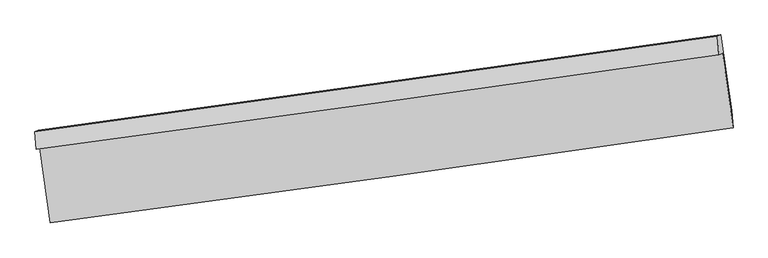
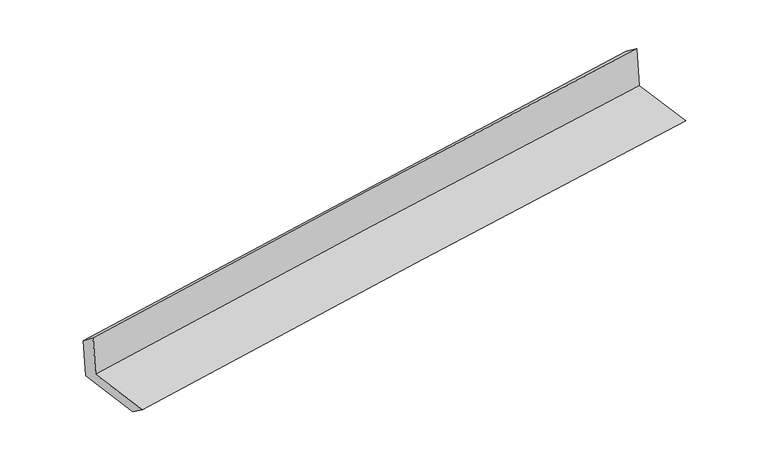
"""IFC4 building model written with IfcOpenShell, lengths in millimetres: proxy geometry."""

from ifc_helpers import new_model, si_unit, frame, origin, place, context, project, spatial, source, transform, mapped, element, save
from ifc_brep_helpers import plane_surface, spline_curve, spline_surface, advanced_brep


def generic_models_87948654(model_context):
    return source(origin(), model_context, "Body", "AdvancedBrep", [
        advanced_brep(
        [(-2993.2565551, -1914.9498316, 1637.5044987), (-2900.8771044, -2568.2660362, 1624.4579931), (3037.0669144, -1742.5562509, 2115.3357502), (2945.4787168, -1094.1770681, 2128.2908112), (-3024.636031, -1927.5556136, 2046.5598453), (2914.1020829, -1106.7817084, 2537.3091095), (-3035.9671781, -1777.0179886, 1926.6947392), (2901.3865944, -946.3440848, 2417.7295885), (-3005.8835262, -1764.9327659, 1534.5314456), (2931.7595589, -934.1426392, 2021.7948847), (-2912.4554875, -2425.6646845, 1521.3368507), (3025.094506, -1594.8875637, 2008.5927476)],
        [
            (0, 1),
            (1, 2, spline_curve(3, [(-2900.8771044, -2568.2660362, 1624.4579931), (-1908.547663535, -2437.744860574, 1722.073395594), (-916.239309138, -2303.482345221, 1811.875578203), (1063.075140595, -2028.206189545, 1975.418881326), (2050.081459225, -1887.23211, 2049.242618071), (3037.0669144, -1742.5562509, 2115.3357502)], [4, 2, 4], [0.0, 9.894012067444873, 19.735576268697606])),
            (2, 3),
            (3, 0, spline_curve(3, [(2945.4787168, -1094.1770681, 2128.2908112), (1957.783237383, -1236.43071617, 2062.217856574), (970.355375636, -1375.781237306, 1988.411815208), (-1009.225908298, -1649.403183951, 1824.899019997), (-2001.376470252, -1783.643583926, 1735.109623624), (-2993.2565551, -1914.9498316, 1637.5044987)], [4, 2, 4], [0.0, 9.841564201252734, 19.735576268697606])),
            (4, 0),
            (3, 5),
            (5, 4, spline_curve(3, [(2914.1020829, -1106.7817084, 2537.3091095), (1926.405183839, -1249.035926867, 2471.254662471), (938.976374646, -1388.386828719, 2397.460970798), (-1040.60586184, -1662.009157554, 2233.960590601), (-2032.756423904, -1796.249557695, 2144.17119433), (-3024.636031, -1927.5556136, 2046.5598453)], [4, 2, 4], [0.0, 9.84163357629106, 19.73571538848914])),
            (6, 4),
            (5, 7),
            (7, 6, spline_curve(3, [(2901.3865944, -946.3440848, 2417.7295885), (1914.409214666, -1086.556830288, 2338.176692731), (927.455870659, -1225.704903712, 2257.592167745), (-1051.662310613, -1502.607583188, 2093.92490957), (-2043.826890643, -1640.350810975, 2010.831151252), (-3035.9671781, -1777.0179886, 1926.6947392)], [4, 2, 4], [0.0, 9.841420520476328, 19.73528814143825])),
            (8, 6),
            (7, 9),
            (9, 8, spline_curve(3, [(2931.7595589, -934.1426392, 2021.7948847), (1944.62013536, -1074.420481102, 1944.354352422), (957.561572596, -1213.610822812, 1865.14143212), (-1021.653653048, -1490.552487292, 1702.73922691), (-2013.809451982, -1628.2921876, 1619.531000865), (-3005.8835262, -1764.9327659, 1534.5314456)], [4, 2, 4], [0.0, 9.841333181178989, 19.735112997393195])),
            (10, 8),
            (9, 11),
            (11, 10, spline_curve(3, [(3025.094506, -1594.8875637, 2008.5927476), (2037.852157723, -1731.823518507, 1931.247305947), (1050.749712248, -1869.337398372, 1852.082682551), (-928.435114313, -2146.25692891, 1689.68349169), (-1920.515999916, -2285.668756194, 1606.429482776), (-2912.4554875, -2425.6646845, 1521.3368507)], [4, 2, 4], [0.0, 9.841253284522436, 19.734952778293184])),
            (1, 10),
            (11, 2),
        ],
        [
            spline_surface(3, 3, [[(-2993.2565551, -1914.9498316, 1637.5044987), (-2001.376470379, -1783.64358387, 1735.109623676), (-1009.225908305, -1649.403183839, 1824.899019997), (970.355375642, -1375.781237417, 1988.411815209), (1957.783237542, -1236.430716274, 2062.217856423), (2945.4787168, -1094.1770681, 2128.2908112)], [(-2962.463404867, -2132.721899791, 1633.155663488), (-1970.433534775, -2001.67734272, 1730.764214335), (-978.230375275, -1867.429570926, 1820.557872687), (1001.261964008, -1593.256221505, 1984.080837254), (1988.549311468, -1453.364514148, 2057.892776951), (2976.008115992, -1310.303462362, 2123.972457529)], [(-2931.670254633, -2350.493968009, 1628.806828312), (-1939.490599172, -2219.711101596, 1726.418805031), (-947.234842279, -2085.455958006, 1816.216725436), (1032.16855234, -1810.731205585, 1979.749859358), (2019.315385419, -1670.298312035, 2053.567697493), (3006.537515208, -1526.429856638, 2119.654103871)], [(-2900.8771044, -2568.2660362, 1624.4579931), (-1908.547663568, -2437.744860446, 1722.07339569), (-916.239309249, -2303.482345093, 1811.875578126), (1063.075140706, -2028.206189672, 1975.418881403), (2050.081459345, -1887.232109909, 2049.242618021), (3037.0669144, -1742.5562509, 2115.3357502)]], [4, 4], [4, 2, 4], [0.0, 2.1651928427980316], [0.0, 9.894012067444873, 19.735576268697606]),
            spline_surface(3, 3, [[(-3024.636031, -1927.5556136, 2046.5598453), (-2032.756423745, -1796.249557678, 2144.171194402), (-1040.60586177, -1662.009157647, 2233.960590723), (938.976374576, -1388.386828627, 2397.460970677), (1926.405183874, -1249.035926924, 2471.254662481), (2914.1020829, -1106.7817084, 2537.3091095)], [(-3014.176205671, -1923.353686273, 1910.208063102), (-2022.296439261, -1792.047566415, 2007.817337495), (-1030.145877286, -1657.807166384, 2097.606733816), (949.436041594, -1384.184964896, 2261.111252189), (1936.864535107, -1244.83419005, 2334.909060475), (2924.560960877, -1102.580161643, 2400.969676747)], [(-3003.716380429, -1919.151758927, 1773.856280898), (-2011.836454863, -1787.845575134, 1871.463480583), (-1019.685892789, -1653.605175102, 1961.252876904), (959.895708625, -1379.983101148, 2124.761533696), (1947.323886309, -1240.632453147, 2198.563458429), (2935.019838823, -1098.378614857, 2264.630243953)], [(-2993.2565551, -1914.9498316, 1637.5044987), (-2001.376470379, -1783.64358387, 1735.109623676), (-1009.225908305, -1649.403183839, 1824.899019997), (970.355375642, -1375.781237417, 1988.411815209), (1957.783237542, -1236.430716274, 2062.217856423), (2945.4787168, -1094.1770681, 2128.2908112)]], [4, 4], [4, 2, 4], [0.0, 1.3466235005305727], [0.0, 9.894081812198081, 19.73571538848914]),
            spline_surface(3, 3, [[(-3035.9671781, -1777.0179886, 1926.6947392), (-2043.826890517, -1640.350810931, 2010.831151279), (-1051.662310499, -1502.607583082, 2093.924909535), (927.455870545, -1225.704903817, 2257.59216778), (1914.409214668, -1086.556830428, 2338.176692622), (2901.3865944, -946.3440848, 2417.7295885)], [(-3032.19012907, -1827.197196931, 1966.649774581), (-2040.13673493, -1692.317059844, 2055.277832334), (-1047.976827587, -1555.741441275, 2140.603469947), (931.296038557, -1279.932212092, 2304.215102095), (1918.407871068, -1140.716529272, 2382.536015893), (2905.625090565, -999.823292678, 2457.589428818)], [(-3028.41308003, -1877.376405269, 2006.604809919), (-2036.446579332, -1744.283308765, 2099.724513346), (-1044.291344681, -1608.875299454, 2187.282030311), (935.136206564, -1334.159520352, 2350.838036362), (1922.406527474, -1194.87622808, 2426.89533921), (2909.863586735, -1053.302500522, 2497.449269182)], [(-3024.636031, -1927.5556136, 2046.5598453), (-2032.756423745, -1796.249557678, 2144.171194402), (-1040.60586177, -1662.009157647, 2233.960590723), (938.976374576, -1388.386828627, 2397.460970677), (1926.405183874, -1249.035926924, 2471.254662481), (2914.1020829, -1106.7817084, 2537.3091095)]], [4, 4], [4, 2, 4], [0.0, 0.7009469786707679], [0.0, 9.893867620961922, 19.73528814143825]),
            spline_surface(3, 3, [[(-3005.8835262, -1764.9327659, 1534.5314456), (-2013.809452104, -1628.292187553, 1619.531000862), (-1021.653653161, -1490.552487136, 1702.73922696), (957.561572708, -1213.610822966, 1865.141432071), (1944.620135419, -1074.420481141, 1944.354352392), (2931.7595589, -934.1426392, 2021.7948847)], [(-3015.911410166, -1768.961173483, 1665.252543456), (-2023.815264907, -1632.311728695, 1749.964384323), (-1031.656538943, -1494.570852434, 1833.134454478), (947.526338651, -1217.642183233, 1995.958343967), (1934.549828493, -1078.465930901, 2075.628465818), (2921.635237391, -938.209787731, 2153.773119316)], [(-3025.939294134, -1772.989581017, 1795.973641344), (-2033.821077713, -1636.331269789, 1880.397767818), (-1041.659424716, -1498.589217784, 1963.529682017), (937.491104603, -1221.673543551, 2126.775255884), (1924.479521595, -1082.511380668, 2206.902579196), (2911.510915909, -942.276936269, 2285.751353884)], [(-3035.9671781, -1777.0179886, 1926.6947392), (-2043.826890517, -1640.350810931, 2010.831151279), (-1051.662310499, -1502.607583082, 2093.924909535), (927.455870545, -1225.704903817, 2257.59216778), (1914.409214668, -1086.556830428, 2338.176692622), (2901.3865944, -946.3440848, 2417.7295885)]], [4, 4], [4, 2, 4], [0.0, 1.2898671123048053], [0.0, 9.893779816214206, 19.735112997393195]),
            spline_surface(3, 3, [[(-2912.4554875, -2425.6646845, 1521.3368507), (-1920.515999874, -2285.668756306, 1606.429482745), (-928.435114164, -2146.256929009, 1689.683491614), (1050.7497121, -1869.337398273, 1852.082682627), (2037.852157602, -1731.823518623, 1931.247306016), (3025.094506, -1594.8875637, 2008.5927476)], [(-2943.598167095, -2205.420711636, 1525.73504902), (-1951.613817312, -2066.543233391, 1610.796655471), (-959.507960491, -1927.688781714, 1694.035403385), (1019.686998974, -1650.761873167, 1856.435599097), (2006.774816892, -1512.689172796, 1935.616321448), (2993.982856984, -1374.639255533, 2012.99345994)], [(-2974.740846605, -1985.176738764, 1530.13324728), (-1982.711634666, -1847.417710468, 1615.163828136), (-990.580806834, -1709.120634432, 1698.387315189), (988.624285833, -1432.186348073, 1860.7885156), (1975.697476129, -1293.554826968, 1939.98533696), (2962.871207916, -1154.390947367, 2017.39417236)], [(-3005.8835262, -1764.9327659, 1534.5314456), (-2013.809452104, -1628.292187553, 1619.531000862), (-1021.653653161, -1490.552487136, 1702.73922696), (957.561572708, -1213.610822966, 1865.141432071), (1944.620135419, -1074.420481141, 1944.354352392), (2931.7595589, -934.1426392, 2021.7948847)]], [4, 4], [4, 2, 4], [0.0, 2.17334326872594], [0.0, 9.893699493770749, 19.734952778293184]),
            spline_surface(3, 3, [[(-2900.8771044, -2568.2660362, 1624.4579931), (-1908.547663568, -2437.744860446, 1722.07339569), (-916.239309249, -2303.482345093, 1811.875578126), (1063.075140706, -2028.206189672, 1975.418881403), (2050.081459345, -1887.232109909, 2049.242618021), (3037.0669144, -1742.5562509, 2115.3357502)], [(-2904.736565431, -2520.732252287, 1590.084278954), (-1912.537109001, -2387.05282572, 1683.525424695), (-920.304577565, -2251.073873073, 1771.144882643), (1058.966664493, -1975.249925881, 1934.306815165), (2046.005025422, -1835.429246133, 2009.91084737), (3033.076111591, -1693.333355152, 2079.754749351)], [(-2908.596026469, -2473.198468413, 1555.710564846), (-1916.526554441, -2336.360791033, 1644.97745374), (-924.369845849, -2198.665401029, 1730.414187098), (1054.858188312, -1922.293662065, 1893.194748865), (2041.928591526, -1783.6263824, 1970.579076667), (3029.085308809, -1644.110459448, 2044.173748449)], [(-2912.4554875, -2425.6646845, 1521.3368507), (-1920.515999874, -2285.668756306, 1606.429482745), (-928.435114164, -2146.256929009, 1689.683491614), (1050.7497121, -1869.337398273, 1852.082682627), (2037.852157602, -1731.823518623, 1931.247306016), (3025.094506, -1594.8875637, 2008.5927476)]], [4, 4], [4, 2, 4], [0.0, 0.6577903923242927], [0.0, 9.893717577918649, 19.73498885072545]),
            plane_surface(frame((2959.1480622, -1236.4815525, 2204.8421486), z_axis=(0.9872181288821819, 0.13785357245010985, 0.07997973849110893), x_axis=(-0.07645124942889737, -0.03071204193967396, 0.9966002091815235))),
            plane_surface(frame((-2978.8459804, -2063.0644867, 1715.1808954), z_axis=(-0.9871983616839877, -0.13799343900217362, -0.0799825323480333), x_axis=(-0.13998071706315832, 0.9899568582884136, 0.019769106662111707))),
        ],
        [
            (0, [[1, 2, 3, 4]]),
            (1, [[5, -4, 6, 7]]),
            (2, [[8, -7, 9, 10]]),
            (3, [[11, -10, 12, 13]]),
            (4, [[14, -13, 15, 16]]),
            (5, [[17, -16, 18, -2]]),
            (6, [[-12, -9, -6, -3, -18, -15]]),
            (7, [[-1, -5, -8, -11, -14, -17]]),
        ],
    ),
    ])


if __name__ == "__main__":
    model = new_model("IFC4")
    model_context = context("Model", 3, world=origin())
    ifc_project = project(units=[si_unit("LENGTHUNIT", "METRE", prefix="MILLI")], contexts=[model_context])
    site = spatial("IfcSite", under=ifc_project)
    building = spatial("IfcBuilding", under=site)
    placement = place(None, origin())
    generic_models_shape = generic_models_87948654(model_context)
    element("IfcBuildingElementProxy", 1, Name="Generic Models", at=placement, inside=building, context=model_context, shape_type="MappedRepresentation", body=[
        mapped(generic_models_shape, transform((0.0, 0.0, 0.0), x_axis=(1.0, 0.0, 0.0), y_axis=(0.0, 1.0, 0.0), z_axis=(0.0, 0.0, 1.0))),
    ])
    save(model, "model.ifc")
